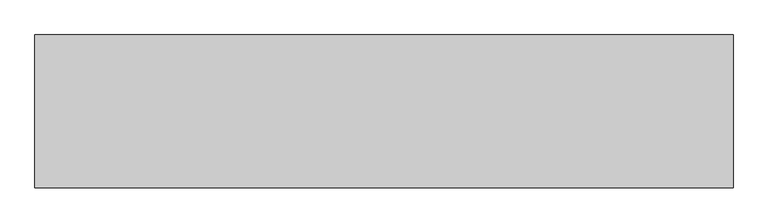
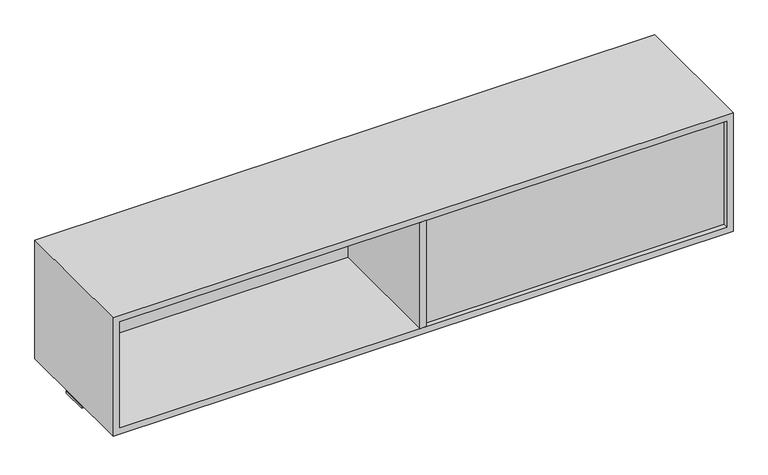
"""IFC4 building model written with IfcOpenShell, lengths in millimetres: furniture geometry."""

from ifc_helpers import new_model, si_unit, frame, origin, place, context, project, spatial, polyline, outline, extrude, source, transform, mapped, element, save


def furniture_507d4318(model_context):
    return source(origin(), model_context, "Body", "SweptSolid", [
        extrude(outline(polyline([(466.852, -241.2273724), (447.548, -241.2273724), (447.548, 158.8226276), (466.852, 158.8226276), (466.852, -241.2273724)])), frame((0.0, 0.0, 900.557), z_axis=(0.0, 0.0, 1.0), x_axis=(1.0, 0.0, 0.0)), (0.0, 0.0, 1.0), 330.5048),
        extrude(outline(polyline([(1371.6, -2.0863724), (1371.6, -80.3183724), (-457.2, -80.3183724), (-457.2, -2.0863724), (1371.6, -2.0863724)])), frame((0.0, 0.0, 870.966), z_axis=(0.0, 0.0, 1.0), x_axis=(1.0, 0.0, 0.0)), (0.0, 0.0, 1.0), 6.858),
        extrude(outline(polyline([(447.548, 145.5282676), (447.548, 126.2242676), (-437.896, 126.2242676), (-437.896, 145.5282676), (447.548, 145.5282676)])), frame((0.0, 0.0, 900.557), z_axis=(0.0, 0.0, 1.0), x_axis=(1.0, 0.0, 0.0)), (0.0, 0.0, 1.0), 330.5048),
        extrude(outline(polyline([(1352.296, -208.5832924), (1352.296, -227.8872924), (466.852, -227.8872924), (466.852, -208.5832924), (1352.296, -208.5832924)])), frame((0.0, 0.0, 900.557), z_axis=(0.0, 0.0, 1.0), x_axis=(1.0, 0.0, 0.0)), (0.0, 0.0, 1.0), 330.5048),
        extrude(outline(polyline([(1250.3658, -457.2), (881.253, -457.2), (881.253, 1371.6), (1250.3658, 1371.6), (1250.3658, -457.2)]), holes=[polyline([(1231.0618, -437.896), (1231.0618, 1352.296), (900.557, 1352.296), (900.557, -437.896), (1231.0618, -437.896)])]), frame((0.0, -241.2273724, 0.0), z_axis=(0.0, 1.0, 0.0), x_axis=(0.0, 0.0, 1.0)), (0.0, 0.0, 1.0), 400.05),
        extrude(outline(polyline([(466.852, -241.2273724), (447.548, -241.2273724), (447.548, 158.8226276), (466.852, 158.8226276), (466.852, -241.2273724)])), frame((0.0, 0.0, 900.557), z_axis=(0.0, 0.0, 1.0), x_axis=(1.0, 0.0, 0.0)), (0.0, 0.0, 1.0), 330.5048),
    ])


if __name__ == "__main__":
    model = new_model("IFC4")
    model_context = context("Model", 3, world=origin())
    ifc_project = project(units=[si_unit("LENGTHUNIT", "METRE", prefix="MILLI")], contexts=[model_context])
    site = spatial("IfcSite", under=ifc_project)
    building = spatial("IfcBuilding", under=site)
    placement = place(None, origin())
    furniture_shape = furniture_507d4318(model_context)
    element("IfcFurniture", 1, at=placement, inside=building, context=model_context, shape_type="MappedRepresentation", body=[
        mapped(furniture_shape, transform((0.0, 0.0, 0.0), x_axis=(1.0, 0.0, 0.0), y_axis=(0.0, 1.0, 0.0), z_axis=(0.0, 0.0, 1.0))),
    ])
    save(model, "model.ifc")
